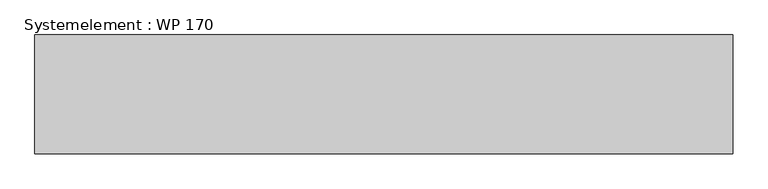
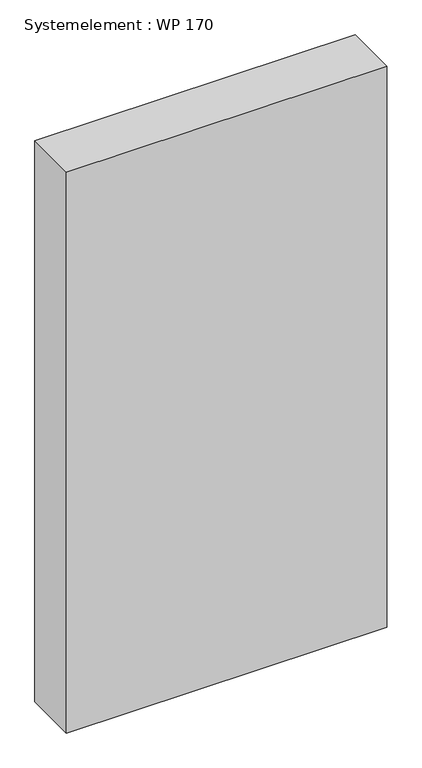
"""IFC4 building model written with IfcOpenShell, lengths in millimetres: plate geometry, Systemelement : WP 170."""

from ifc_helpers import new_model, si_unit, origin, origin_with_axes, place, context, project, spatial, polyline, outline, extrude, source, transform, mapped, element, save


def systemelement_wp_170_b9f4fda1(model_context):
    return source(origin(), model_context, "Body", "SweptSolid", [
        extrude(outline(polyline([(500.0, -170.0), (-500.0, -170.0), (-500.0, 0.0), (500.0, 0.0), (500.0, -170.0)])), origin_with_axes(), (0.0, 0.0, 1.0), 1851.6147161),
    ])


if __name__ == "__main__":
    model = new_model("IFC4")
    model_context = context("Model", 3, world=origin())
    ifc_project = project(units=[si_unit("LENGTHUNIT", "METRE", prefix="MILLI")], contexts=[model_context])
    site = spatial("IfcSite", under=ifc_project)
    building = spatial("IfcBuilding", under=site)
    placement = place(None, origin())
    systemelement_wp_170_shape = systemelement_wp_170_b9f4fda1(model_context)
    element("IfcPlate", 1, ObjectType="Systemelement : WP 170", at=placement, inside=building, context=model_context, shape_type="MappedRepresentation", body=[
        mapped(systemelement_wp_170_shape, transform((0.0, 0.0, 0.0), x_axis=(1.0, 0.0, 0.0), y_axis=(0.0, 1.0, 0.0), z_axis=(0.0, 0.0, 1.0))),
    ])
    save(model, "model.ifc")
